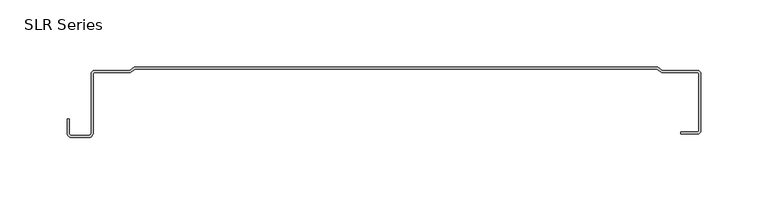
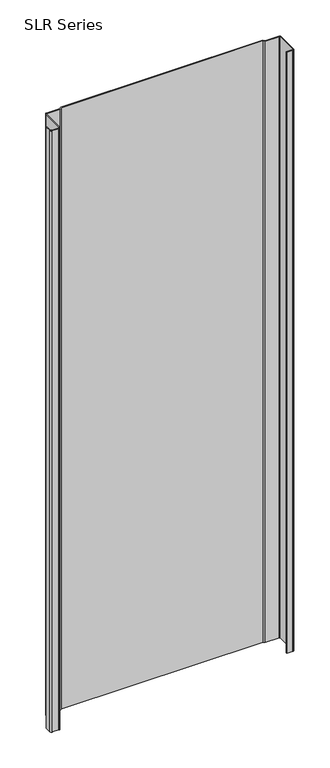
"""IFC4 building model written with IfcOpenShell, lengths in millimetres: plate geometry, SLR Series."""

from ifc_helpers import new_model, si_unit, point, frame_2d, origin, origin_with_axes, place, context, project, spatial, polyline, circle_curve, trimmed, segment, composite_curve, outline, extrude, source, transform, mapped, element, save


def slr_series_327b260d(model_context):
    return source(origin(), model_context, "Body", "SweptSolid", [
        extrude(outline(composite_curve([segment(polyline([(214.496908, -50.1207949), (214.496908, -48.5030605), (226.5762297, -48.5030605)]), True, "CONTINUOUS"), segment(trimmed(circle_curve(frame_2d((226.5762297, -47.3470247)), 1.1560358), [point((226.5762297, -48.5030605))], [point((227.7322655, -47.3470247))], True, "CARTESIAN"), True, "CONTINUOUS"), segment(polyline([(227.7322655, -47.3470247), (227.7322655, -5.269565)]), True, "CONTINUOUS"), segment(trimmed(circle_curve(frame_2d((226.5762297, -5.269565)), 1.1560358), [point((227.7322655, -5.269565))], [point((226.5762297, -4.1135292))], True, "CARTESIAN"), True, "CONTINUOUS"), segment(polyline([(226.5762297, -4.1135292), (200.1566765, -4.1135292), (196.5769709, -1.42875), (-192.0448726, -1.42875), (-195.6245782, -4.1135292), (-222.0441314, -4.1135292)]), True, "CONTINUOUS"), segment(trimmed(circle_curve(frame_2d((-222.0441314, -5.2258624)), 1.1123332), [point((-222.0441314, -4.1135292))], [point((-223.1564646, -5.2258624))], True, "CARTESIAN"), True, "CONTINUOUS"), segment(polyline([(-223.1564646, -5.2258624), (-223.1564646, -49.163617)]), True, "CONTINUOUS"), segment(trimmed(circle_curve(frame_2d((-226.6888251, -49.163617)), 3.5323605), [point((-223.1564646, -49.163617))], [point((-226.6888251, -52.6959775))], False, "CARTESIAN"), True, "CONTINUOUS"), segment(polyline([(-226.6888251, -52.6959775), (-239.074675, -52.6959775)]), True, "CONTINUOUS"), segment(trimmed(circle_curve(frame_2d((-239.074675, -49.163617)), 3.5323605), [point((-239.074675, -52.6959775))], [point((-242.6070355, -49.163617))], False, "CARTESIAN"), True, "CONTINUOUS"), segment(polyline([(-242.6070355, -49.163617), (-242.6070355, -38.7571098), (-241.0540178, -38.7571098), (-241.0540178, -49.163617)]), True, "CONTINUOUS"), segment(trimmed(circle_curve(frame_2d((-239.074675, -49.163617)), 1.9793427), [point((-241.0540178, -49.163617))], [point((-239.074675, -51.1429598))], True, "CARTESIAN"), True, "CONTINUOUS"), segment(polyline([(-239.074675, -51.1429598), (-226.6888251, -51.1429598)]), True, "CONTINUOUS"), segment(trimmed(circle_curve(frame_2d((-226.6888251, -49.163617)), 1.9793427), [point((-226.6888251, -51.1429598))], [point((-224.7094824, -49.163617))], True, "CARTESIAN"), True, "CONTINUOUS"), segment(polyline([(-224.7094824, -49.163617), (-224.7094824, -5.2506269)]), True, "CONTINUOUS"), segment(trimmed(circle_curve(frame_2d((-221.9842262, -5.2506269)), 2.7252562), [point((-224.7094824, -5.2506269))], [point((-222.0441314, -2.5260292))], False, "CARTESIAN"), True, "CONTINUOUS"), segment(polyline([(-222.0441314, -2.5260292), (-196.1537449, -2.5260292), (-192.7857059, 0.0), (197.3178042, 0.0), (200.6858432, -2.5260292), (226.5762297, -2.5260292)]), True, "CONTINUOUS"), segment(trimmed(circle_curve(frame_2d((226.6272458, -5.2483053)), 2.722754), [point((226.5762297, -2.5260292))], [point((229.3499998, -5.2483053))], False, "CARTESIAN"), True, "CONTINUOUS"), segment(polyline([(229.3499998, -5.2483053), (229.3499998, -47.3470247)]), True, "CONTINUOUS"), segment(trimmed(circle_curve(frame_2d((226.5762297, -47.3470247)), 2.7737702), [point((229.3499998, -47.3470247))], [point((226.5762297, -50.1207949))], False, "CARTESIAN"), True, "CONTINUOUS"), segment(polyline([(226.5762297, -50.1207949), (214.496908, -50.1207949)]), True, "CONTINUOUS")], self_intersect=False)), origin_with_axes(), (0.0, 0.0, 1.0), 1228.3559792),
    ])


if __name__ == "__main__":
    model = new_model("IFC4")
    model_context = context("Model", 3, world=origin())
    ifc_project = project(units=[si_unit("LENGTHUNIT", "METRE", prefix="MILLI")], contexts=[model_context])
    site = spatial("IfcSite", under=ifc_project)
    building = spatial("IfcBuilding", under=site)
    placement = place(None, origin())
    slr_series_shape = slr_series_327b260d(model_context)
    element("IfcPlate", 1, ObjectType="SLR Series", at=placement, inside=building, context=model_context, shape_type="MappedRepresentation", body=[
        mapped(slr_series_shape, transform((0.0, 0.0, 0.0), x_axis=(1.0, 0.0, 0.0), y_axis=(0.0, 1.0, 0.0), z_axis=(0.0, 0.0, 1.0))),
    ])
    save(model, "model.ifc")
